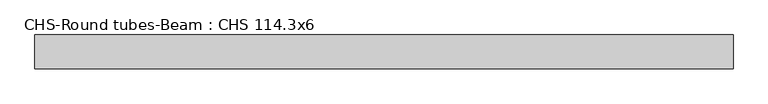
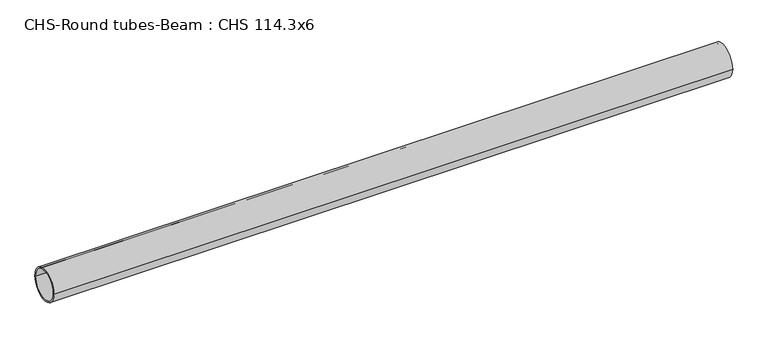
"""IFC4 building model written with IfcOpenShell, lengths in millimetres: beam geometry, CHS-Round tubes-Beam : CHS 114.3x6."""

from ifc_helpers import new_model, si_unit, point, frame, origin, origin_2d, place, context, project, spatial, circle_curve, trimmed, segment, composite_curve, outline, extrude, source, transform, mapped, element, save


def chs_round_tubes_beam_chs_114_3x6_cf053491(model_context):
    return source(origin(), model_context, "Body", "SweptSolid", [
        extrude(outline(composite_curve([segment(trimmed(circle_curve(origin_2d(), 57.15), [point((57.15, 0.0))], [point((-57.15, 0.0))], False, "CARTESIAN"), True, "CONTINUOUS"), segment(trimmed(circle_curve(origin_2d(), 57.15), [point((-57.15, 0.0))], [point((57.15, 0.0))], False, "CARTESIAN"), True, "CONTINUOUS")], self_intersect=False), holes=[composite_curve([segment(trimmed(circle_curve(origin_2d(), 51.15), [point((51.15, 0.0))], [point((-51.15, 0.0))], True, "CARTESIAN"), True, "CONTINUOUS"), segment(trimmed(circle_curve(origin_2d(), 51.15), [point((-51.15, 0.0))], [point((51.15, 0.0))], True, "CARTESIAN"), True, "CONTINUOUS")], self_intersect=False)]), frame((-1146.3517069, 0.0, 0.0), z_axis=(1.0, 0.0, 0.0), x_axis=(0.0, 1.0, 0.0)), (0.0, 0.0, 1.0), 2364.8227094),
    ])


if __name__ == "__main__":
    model = new_model("IFC4")
    model_context = context("Model", 3, world=origin())
    ifc_project = project(units=[si_unit("LENGTHUNIT", "METRE", prefix="MILLI")], contexts=[model_context])
    site = spatial("IfcSite", under=ifc_project)
    building = spatial("IfcBuilding", under=site)
    placement = place(None, origin())
    chs_round_tubes_beam_chs_114_3x6_shape = chs_round_tubes_beam_chs_114_3x6_cf053491(model_context)
    element("IfcBeam", 1, ObjectType="CHS-Round tubes-Beam : CHS 114.3x6", at=placement, inside=building, context=model_context, shape_type="MappedRepresentation", body=[
        mapped(chs_round_tubes_beam_chs_114_3x6_shape, transform((0.0, 0.0, 0.0), x_axis=(1.0, 0.0, 0.0), y_axis=(0.0, 1.0, 0.0), z_axis=(0.0, 0.0, 1.0))),
    ])
    save(model, "model.ifc")
